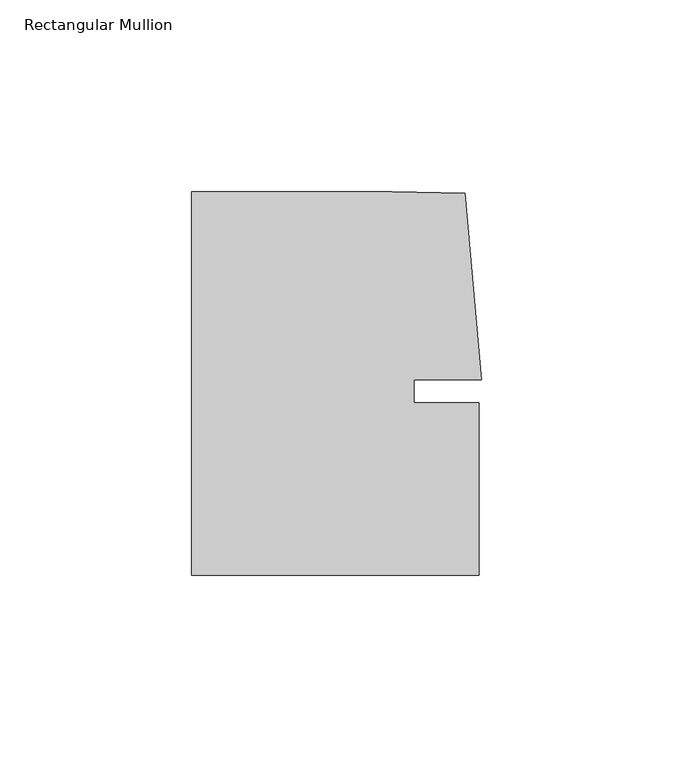
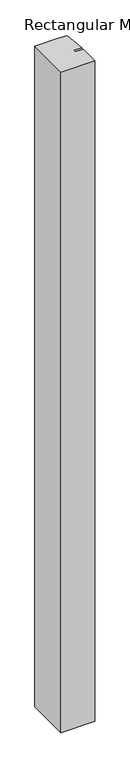
"""IFC4 building model written with IfcOpenShell, lengths in millimetres: member geometry, Rectangular Mullion."""

from ifc_helpers import new_model, si_unit, frame, origin, place, context, project, spatial, polyline, outline, extrude, source, transform, mapped, element, save


def rectangular_mullion_762ea2f3(model_context):
    return source(origin(), model_context, "Body", "SweptSolid", [
        extrude(outline(polyline([(8.0004917, -3.0000287), (25.00003, -3.0000271), (25.0000344, -48.0000271), (-49.9999656, -48.0000271), (-49.9999656, 51.9999707), (2.2554581, 51.9999707), (21.3623265, 51.5846059), (25.6129344, 2.9999903), (8.0004911, 2.9999885), (8.0004917, -3.0000287)])), frame((0.0, 0.0, -1549.999978), z_axis=(0.0, 0.0, 1.0), x_axis=(1.0, 0.0, 0.0)), (0.0, 0.0, 1.0), 1549.999978),
    ])


if __name__ == "__main__":
    model = new_model("IFC4")
    model_context = context("Model", 3, world=origin())
    ifc_project = project(units=[si_unit("LENGTHUNIT", "METRE", prefix="MILLI")], contexts=[model_context])
    site = spatial("IfcSite", under=ifc_project)
    building = spatial("IfcBuilding", under=site)
    placement = place(None, origin())
    rectangular_mullion_shape = rectangular_mullion_762ea2f3(model_context)
    element("IfcMember", 1, ObjectType="Rectangular Mullion", at=placement, inside=building, context=model_context, shape_type="MappedRepresentation", body=[
        mapped(rectangular_mullion_shape, transform((0.0, 0.0, 0.0), x_axis=(1.0, 0.0, 0.0), y_axis=(0.0, 1.0, 0.0), z_axis=(0.0, 0.0, 1.0))),
    ])
    save(model, "model.ifc")
